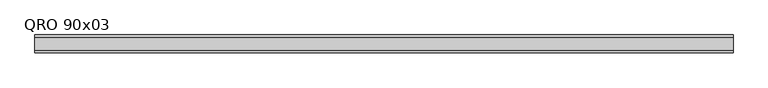
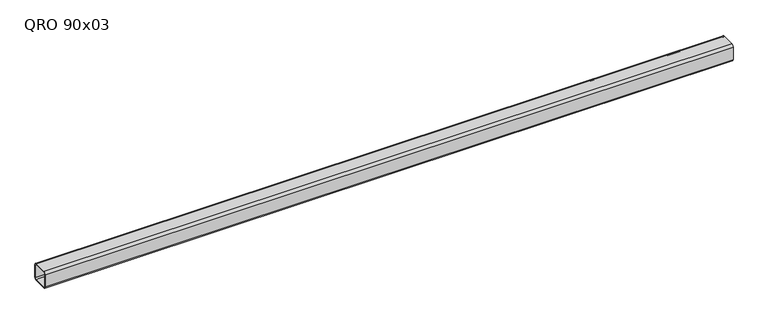
"""IFC4 building model written with IfcOpenShell, lengths in millimetres: beam geometry, QRO 90x03."""

from ifc_helpers import new_model, si_unit, point, frame, frame_2d, origin, place, context, project, spatial, polyline, circle_curve, trimmed, segment, composite_curve, outline, extrude, source, transform, mapped, element, save


def qro_90x03_c94d1b1e(model_context):
    return source(origin(), model_context, "Body", "SweptSolid", [
        extrude(outline(composite_curve([segment(polyline([(45.0, 33.0), (45.0, -33.0)]), True, "CONTINUOUS"), segment(trimmed(circle_curve(frame_2d((33.0, -33.0)), 12.0), [point((45.0, -33.0))], [point((33.0, -45.0))], False, "CARTESIAN"), True, "CONTINUOUS"), segment(polyline([(33.0, -45.0), (-33.0, -45.0)]), True, "CONTINUOUS"), segment(trimmed(circle_curve(frame_2d((-33.0, -33.0)), 12.0), [point((-33.0, -45.0))], [point((-45.0, -33.0))], False, "CARTESIAN"), True, "CONTINUOUS"), segment(polyline([(-45.0, -33.0), (-45.0, 33.0)]), True, "CONTINUOUS"), segment(trimmed(circle_curve(frame_2d((-33.0, 33.0)), 12.0), [point((-45.0, 33.0))], [point((-33.0, 45.0))], False, "CARTESIAN"), True, "CONTINUOUS"), segment(polyline([(-33.0, 45.0), (33.0, 45.0)]), True, "CONTINUOUS"), segment(trimmed(circle_curve(frame_2d((33.0, 33.0)), 12.0), [point((33.0, 45.0))], [point((45.0, 33.0))], False, "CARTESIAN"), True, "CONTINUOUS")], self_intersect=False), holes=[composite_curve([segment(trimmed(circle_curve(frame_2d((-33.0, 33.0)), 6.0), [point((-33.0, 39.0))], [point((-39.0, 33.0))], True, "CARTESIAN"), True, "CONTINUOUS"), segment(polyline([(-39.0, 33.0), (-39.0, -33.0)]), True, "CONTINUOUS"), segment(trimmed(circle_curve(frame_2d((-33.0, -33.0)), 6.0), [point((-39.0, -33.0))], [point((-33.0, -39.0))], True, "CARTESIAN"), True, "CONTINUOUS"), segment(polyline([(-33.0, -39.0), (33.0, -39.0)]), True, "CONTINUOUS"), segment(trimmed(circle_curve(frame_2d((33.0, -33.0)), 6.0), [point((33.0, -39.0))], [point((39.0, -33.0))], True, "CARTESIAN"), True, "CONTINUOUS"), segment(polyline([(39.0, -33.0), (39.0, 33.0)]), True, "CONTINUOUS"), segment(trimmed(circle_curve(frame_2d((33.0, 33.0)), 6.0), [point((39.0, 33.0))], [point((33.0, 39.0))], True, "CARTESIAN"), True, "CONTINUOUS"), segment(polyline([(33.0, 39.0), (-33.0, 39.0)]), True, "CONTINUOUS")], self_intersect=False)]), frame((-1753.1575715, 0.0, 0.0), z_axis=(1.0, 0.0, 0.0), x_axis=(0.0, 1.0, 0.0)), (0.0, 0.0, 1.0), 3508.3419438),
    ])


if __name__ == "__main__":
    model = new_model("IFC4")
    model_context = context("Model", 3, world=origin())
    ifc_project = project(units=[si_unit("LENGTHUNIT", "METRE", prefix="MILLI")], contexts=[model_context])
    site = spatial("IfcSite", under=ifc_project)
    building = spatial("IfcBuilding", under=site)
    placement = place(None, origin())
    qro_90x03_shape = qro_90x03_c94d1b1e(model_context)
    element("IfcBeam", 1, ObjectType="QRO 90x03", at=placement, inside=building, context=model_context, shape_type="MappedRepresentation", body=[
        mapped(qro_90x03_shape, transform((0.0, 0.0, 0.0), x_axis=(1.0, 0.0, 0.0), y_axis=(0.0, 1.0, 0.0), z_axis=(0.0, 0.0, 1.0))),
    ])
    save(model, "model.ifc")
